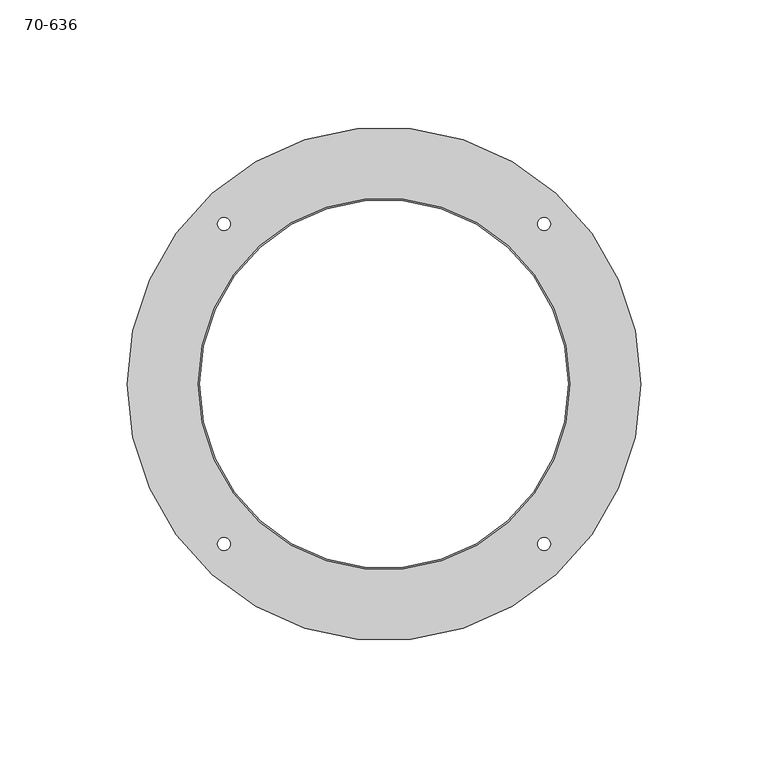
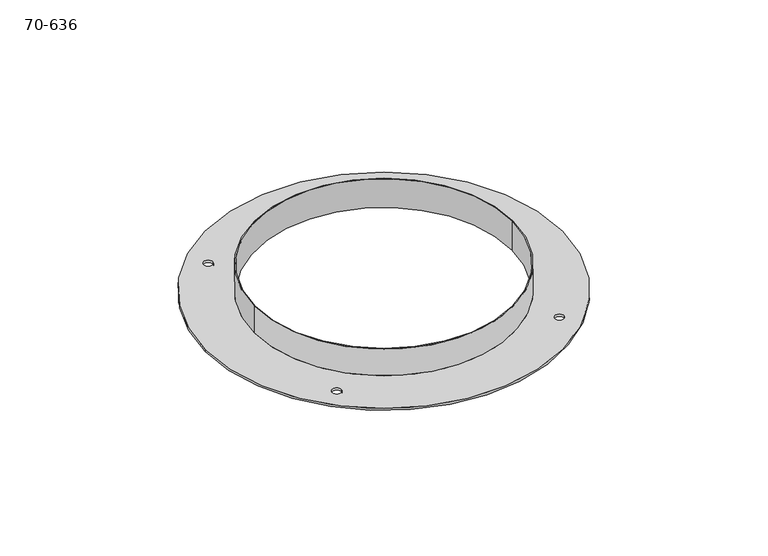
"""IFC4 building model written with IfcOpenShell, lengths in millimetres: proxy geometry, 70-636."""

from ifc_helpers import new_model, si_unit, frame, origin, place, context, project, spatial, polyline, circle_curve, source, transform, mapped, element, save
from ifc_brep_helpers import plane_surface, cylinder_surface, revolved_surface, advanced_brep


def proxy_70_636_1aa138ba(model_context):
    return source(origin(), model_context, "Body", "AdvancedBrep", [
        advanced_brep(
        [(-100.80625, 0.0, 0.0), (-100.80625, 0.0, 1.27), (100.80625, 0.0, 1.27), (100.80625, 0.0, 0.0), (72.39, 0.0, 0.0), (72.39, 0.0, 17.145), (-72.39, 0.0, 17.145), (-72.39, 0.0, 0.0), (65.4017928, 62.8617928, 0.0), (65.4017928, 62.8617928, 1.27), (60.3217928, 62.8617928, 1.27), (60.3217928, 62.8617928, 0.0), (-60.3217928, -62.8617928, 0.0), (-60.3217928, -62.8617928, 1.27), (-65.4017928, -62.8617928, 1.27), (-65.4017928, -62.8617928, 0.0), (65.4017928, -62.8617928, 0.0), (65.4017928, -62.8617928, 1.27), (60.3217928, -62.8617928, 1.27), (60.3217928, -62.8617928, 0.0), (-60.3217928, 62.8617928, 0.0), (-60.3217928, 62.8617928, 1.27), (-65.4017928, 62.8617928, 1.27), (-65.4017928, 62.8617928, 0.0), (-73.025, 0.0, 17.145), (-73.025, 0.0, 1.27), (73.025, 0.0, 1.27), (73.025, 0.0, 17.145)],
        [
            (0, 1),
            (1, 2, circle_curve(frame((0.0, 0.0, 1.27), z_axis=(0.0, 0.0, -1.0), x_axis=(-1.0, 0.0, 0.0)), 100.80625)),
            (2, 3),
            (3, 0, circle_curve(frame((0.0, 0.0, 0.0), z_axis=(0.0, 0.0, 1.0), x_axis=(-1.0, 0.0, 0.0)), 100.80625)),
            (4, 5),
            (5, 6, circle_curve(frame((0.0, 0.0, 17.145), z_axis=(0.0, 0.0, 1.0), x_axis=(1.0, 0.0, 0.0)), 72.39)),
            (6, 7),
            (7, 4, circle_curve(frame((0.0, 0.0, 0.0), z_axis=(0.0, 0.0, -1.0), x_axis=(1.0, 0.0, 0.0)), 72.39)),
            (8, 9),
            (9, 10, circle_curve(frame((62.8617928, 62.8617928, 1.27), z_axis=(0.0, 0.0, 1.0), x_axis=(1.0, 0.0, 0.0)), 2.54)),
            (10, 11),
            (11, 8, circle_curve(frame((62.8617928, 62.8617928, 0.0), z_axis=(0.0, 0.0, -1.0), x_axis=(1.0, 0.0, 0.0)), 2.54)),
            (12, 13),
            (13, 14, circle_curve(frame((-62.8617928, -62.8617928, 1.27), z_axis=(0.0, 0.0, 1.0), x_axis=(1.0, 0.0, 0.0)), 2.54)),
            (14, 15),
            (15, 12, circle_curve(frame((-62.8617928, -62.8617928, 0.0), z_axis=(0.0, 0.0, -1.0), x_axis=(1.0, 0.0, 0.0)), 2.54)),
            (16, 17),
            (17, 18, circle_curve(frame((62.8617928, -62.8617928, 1.27), z_axis=(0.0, 0.0, 1.0), x_axis=(1.0, 0.0, 0.0)), 2.54)),
            (18, 19),
            (19, 16, circle_curve(frame((62.8617928, -62.8617928, 0.0), z_axis=(0.0, 0.0, -1.0), x_axis=(1.0, 0.0, 0.0)), 2.54)),
            (20, 21),
            (21, 22, circle_curve(frame((-62.8617928, 62.8617928, 1.27), z_axis=(0.0, 0.0, 1.0), x_axis=(1.0, 0.0, 0.0)), 2.54)),
            (22, 23),
            (23, 20, circle_curve(frame((-62.8617928, 62.8617928, 0.0), z_axis=(0.0, 0.0, -1.0), x_axis=(1.0, 0.0, 0.0)), 2.54)),
            (24, 25),
            (25, 26, circle_curve(frame((0.0, 0.0, 1.27), z_axis=(0.0, 0.0, 1.0), x_axis=(-1.0, 0.0, 0.0)), 73.025)),
            (26, 27),
            (27, 24, circle_curve(frame((0.0, 0.0, 17.145), z_axis=(0.0, 0.0, -1.0), x_axis=(-1.0, 0.0, 0.0)), 73.025)),
            (24, 27, circle_curve(frame((0.0, 0.0, 17.145), z_axis=(0.0, 0.0, -1.0), x_axis=(-1.0, 0.0, 0.0)), 73.025)),
            (26, 25, circle_curve(frame((0.0, 0.0, 1.27), z_axis=(0.0, 0.0, 1.0), x_axis=(-1.0, 0.0, 0.0)), 73.025)),
            (1, 2, circle_curve(frame((0.0, 0.0, 1.27), z_axis=(0.0, 0.0, 1.0), x_axis=(-1.0, 0.0, 0.0)), 100.80625)),
            (9, 10, circle_curve(frame((62.8617928, 62.8617928, 1.27), z_axis=(0.0, 0.0, -1.0), x_axis=(1.0, 0.0, 0.0)), 2.54)),
            (13, 14, circle_curve(frame((-62.8617928, -62.8617928, 1.27), z_axis=(0.0, 0.0, -1.0), x_axis=(1.0, 0.0, 0.0)), 2.54)),
            (17, 18, circle_curve(frame((62.8617928, -62.8617928, 1.27), z_axis=(0.0, 0.0, -1.0), x_axis=(1.0, 0.0, 0.0)), 2.54)),
            (21, 22, circle_curve(frame((-62.8617928, 62.8617928, 1.27), z_axis=(0.0, 0.0, -1.0), x_axis=(1.0, 0.0, 0.0)), 2.54)),
            (20, 23, circle_curve(frame((-62.8617928, 62.8617928, 0.0), z_axis=(0.0, 0.0, -1.0), x_axis=(1.0, 0.0, 0.0)), 2.54)),
            (16, 19, circle_curve(frame((62.8617928, -62.8617928, 0.0), z_axis=(0.0, 0.0, -1.0), x_axis=(1.0, 0.0, 0.0)), 2.54)),
            (12, 15, circle_curve(frame((-62.8617928, -62.8617928, 0.0), z_axis=(0.0, 0.0, -1.0), x_axis=(1.0, 0.0, 0.0)), 2.54)),
            (8, 11, circle_curve(frame((62.8617928, 62.8617928, 0.0), z_axis=(0.0, 0.0, -1.0), x_axis=(1.0, 0.0, 0.0)), 2.54)),
            (4, 7, circle_curve(frame((0.0, 0.0, 0.0), z_axis=(0.0, 0.0, -1.0), x_axis=(1.0, 0.0, 0.0)), 72.39)),
            (6, 5, circle_curve(frame((0.0, 0.0, 17.145), z_axis=(0.0, 0.0, 1.0), x_axis=(1.0, 0.0, 0.0)), 72.39)),
            (0, 3, circle_curve(frame((0.0, 0.0, 0.0), z_axis=(0.0, 0.0, 1.0), x_axis=(-1.0, 0.0, 0.0)), 100.80625)),
        ],
        [
            cylinder_surface(frame((0.0, 0.0, 0.0), z_axis=(0.0, 0.0, 1.0), x_axis=(-1.0, 0.0, 0.0)), 100.80625),
            revolved_surface(polyline([(72.39, 0.0, 17.144999999999982), (72.39, 0.0, 0.0)]), (0.0, 0.0, -268.4931476), (0.0, 0.0, 1.0)),
            revolved_surface(polyline([(65.40179280000001, 62.8617928, 0.0), (65.40179280000001, 62.8617928, 1.27)]), (62.8617928, 62.8617928, 0.0), (0.0, 0.0, -1.0)),
            revolved_surface(polyline([(-60.321792800000004, -62.8617928, 0.0), (-60.321792800000004, -62.8617928, 1.27)]), (-62.8617928, -62.8617928, 0.0), (0.0, 0.0, -1.0)),
            revolved_surface(polyline([(65.40179280000001, -62.8617928, 0.0), (65.40179280000001, -62.8617928, 1.27)]), (62.8617928, -62.8617928, 0.0), (0.0, 0.0, -1.0)),
            revolved_surface(polyline([(-60.321792800000004, 62.8617928, 0.0), (-60.321792800000004, 62.8617928, 1.27)]), (-62.8617928, 62.8617928, 0.0), (0.0, 0.0, -1.0)),
            cylinder_surface(frame((0.0, 0.0, 17.145), z_axis=(0.0, 0.0, -1.0), x_axis=(-1.0, 0.0, 0.0)), 73.025),
            plane_surface(frame((0.0, 0.0, 1.27), z_axis=(0.0, 0.0, 1.0), x_axis=(-1.0, 0.0, 0.0))),
            plane_surface(frame((0.0, 0.0, 17.145), z_axis=(0.0, 0.0, 1.0), x_axis=(-1.0, 0.0, 0.0))),
            plane_surface(frame((0.0, 0.0, 0.0), z_axis=(0.0, 0.0, -1.0), x_axis=(-1.0, 0.0, 0.0))),
        ],
        [
            (0, [[1, 2, 3, 4]]),
            (1, [[5, 6, 7, 8]]),
            (2, [[9, 10, 11, 12]]),
            (3, [[13, 14, 15, 16]]),
            (4, [[17, 18, 19, 20]]),
            (5, [[21, 22, 23, 24]]),
            (6, [[25, 26, 27, 28]]),
            (6, [[-25, 29, -27, 30]]),
            (7, [[31, -2], [-10, 32], [-14, 33], [-18, 34], [-22, 35], [-30, -26]]),
            (5, [[-21, 36, -23, -35]]),
            (4, [[-17, 37, -19, -34]]),
            (3, [[-13, 38, -15, -33]]),
            (2, [[-9, 39, -11, -32]]),
            (1, [[-5, 40, -7, 41]]),
            (0, [[-1, 42, -3, -31]]),
            (8, [[-29, -28], [-41, -6]]),
            (9, [[-42, -4], [-36, -24], [-37, -20], [-38, -16], [-39, -12], [-40, -8]]),
        ],
    ),
    ])


if __name__ == "__main__":
    model = new_model("IFC4")
    model_context = context("Model", 3, world=origin())
    ifc_project = project(units=[si_unit("LENGTHUNIT", "METRE", prefix="MILLI")], contexts=[model_context])
    site = spatial("IfcSite", under=ifc_project)
    building = spatial("IfcBuilding", under=site)
    placement = place(None, origin())
    proxy_70_636_shape = proxy_70_636_1aa138ba(model_context)
    element("IfcBuildingElementProxy", 1, Name="70-636", ObjectType="70-636", at=placement, inside=building, context=model_context, shape_type="MappedRepresentation", body=[
        mapped(proxy_70_636_shape, transform((0.0, 0.0, 0.0), x_axis=(1.0, 0.0, 0.0), y_axis=(0.0, 1.0, 0.0), z_axis=(0.0, 0.0, 1.0))),
    ])
    save(model, "model.ifc")
